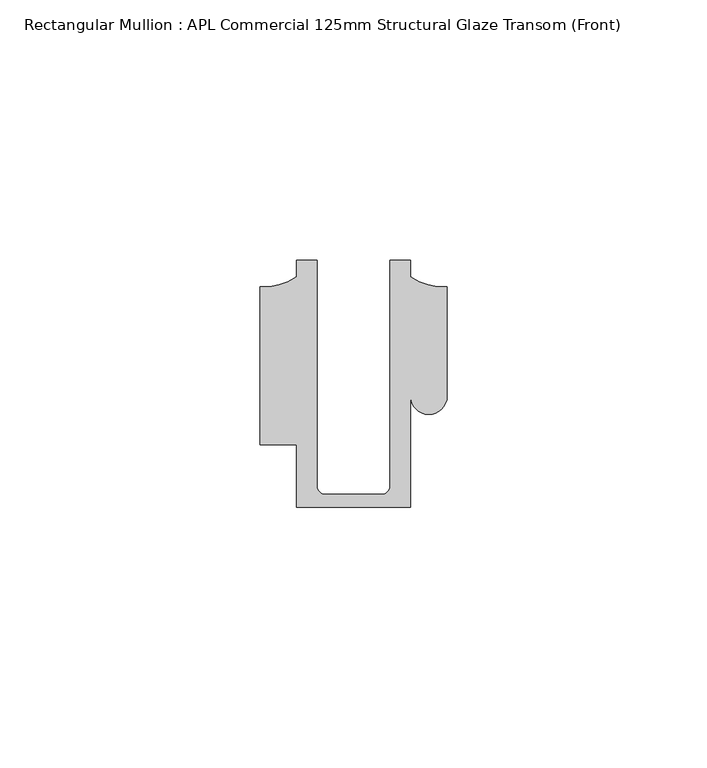
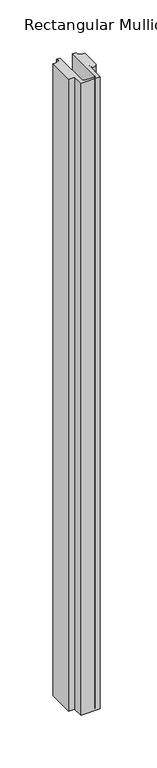
"""IFC4 building model written with IfcOpenShell, lengths in millimetres: member geometry, Rectangular Mullion : APL Commercial 125mm Structural Glaze Transom (Front)."""

from ifc_helpers import new_model, si_unit, frame, origin, place, context, project, spatial, polyline, circle_curve, source, transform, mapped, element, save
from ifc_brep_helpers import plane_surface, cylinder_surface, revolved_surface, advanced_brep


def rectangular_mullion_apl_commercial_125mm_structural_glaze_301c8de9(model_context):
    return source(origin(), model_context, "Body", "AdvancedBrep", [
        advanced_brep(
        [(-11.0000151, -27.0, 0.0), (11.001071, -27.0, 0.0), (11.001071, -5.5848769, 0.0), (17.9999091, -5.6750512, 0.0), (17.9999542, 15.3797475, 0.0), (11.0000151, 17.3125212, 0.0), (11.0000151, 20.5, 0.0), (6.9999849, 20.5, 0.0), (6.9999849, -22.9973451, 0.0), (5.4999872, -24.5, 0.0), (-5.4999873, -24.5, 0.0), (-6.9999853, -22.9976091, 0.0), (-6.9999853, 20.5, 0.0), (-10.9999994, 20.5, 0.0), (-10.9999994, 17.3125325, 0.0), (-17.9999542, 15.3797475, 0.0), (-17.9999542, -15.0006281, 0.0), (-11.0000151, -15.0006281, 0.0), (-11.0000151, -27.0, -759.4851421), (-11.0000151, -15.0006281, -759.4851421), (-17.9999542, -15.0006281, -759.4851421), (-17.9999542, 15.3797475, -759.4851421), (-10.9999994, 17.3125325, -759.4851421), (-10.9999994, 20.5, -759.4851421), (-6.9999853, 20.5, -759.4851421), (-6.9999853, -22.9976091, -759.4851421), (-5.4999873, -24.5, -759.4851421), (5.4999872, -24.5, -759.4851421), (6.9999849, -22.9973451, -759.4851421), (6.9999849, 20.5, -759.4851421), (11.0000151, 20.5, -759.4851421), (11.0000151, 17.3125212, -759.4851421), (17.9999542, 15.3797475, -759.4851421), (17.9999542, -5.684606, -759.4851421), (11.001071, -5.5848769, -759.4851421), (11.001071, -27.0, -759.4851421)],
        [
            (0, 1),
            (1, 2),
            (2, 3, circle_curve(frame((14.4999091, -5.6750512, 0.0), z_axis=(0.0, 0.0, 1.0), x_axis=(-0.9999826028573957, 0.005898642432633649, 0.0)), 3.5)),
            (3, 4),
            (4, 5, circle_curve(frame((17.109817, 25.7981812, 0.0), z_axis=(0.0, 0.0, -1.0), x_axis=(0.0, -1.0, 0.0)), 10.4563907)),
            (5, 6),
            (6, 7),
            (7, 8),
            (8, 9, circle_curve(frame((5.4999872, -23.0, 0.0), z_axis=(0.0, 0.0, -1.0), x_axis=(0.9999999999999986, 5.463622857820516e-08, 0.0)), 1.5)),
            (9, 10),
            (10, 11, circle_curve(frame((-5.4999873, -23.0, 0.0), z_axis=(0.0, 0.0, -1.0), x_axis=(2.7320010112268853e-08, -0.9999999999999997, 0.0)), 1.5)),
            (11, 12),
            (12, 13),
            (13, 14),
            (14, 15, circle_curve(frame((-17.109817, 25.7981812, 0.0), z_axis=(0.0, 0.0, -1.0), x_axis=(0.0, -1.0, 0.0)), 10.4563907)),
            (15, 16),
            (16, 17),
            (17, 0),
            (18, 19),
            (19, 20),
            (20, 21),
            (21, 22, circle_curve(frame((-17.109817, 25.7981812, -759.4851421), z_axis=(0.0, 0.0, 1.0), x_axis=(0.0, -1.0, 0.0)), 10.4563907)),
            (22, 23),
            (23, 24),
            (24, 25),
            (25, 26, circle_curve(frame((-5.4999873, -23.0, -759.4851421), z_axis=(0.0, 0.0, 1.0), x_axis=(2.7320010112268853e-08, -0.9999999999999997, 0.0)), 1.5)),
            (26, 27),
            (27, 28, circle_curve(frame((5.4999872, -23.0, -759.4851421), z_axis=(0.0, 0.0, 1.0), x_axis=(0.9999999999999986, 5.463622857820516e-08, 0.0)), 1.5)),
            (28, 29),
            (29, 30),
            (30, 31),
            (31, 32, circle_curve(frame((17.109817, 25.7981812, -759.4851421), z_axis=(0.0, 0.0, 1.0), x_axis=(0.0, -1.0, 0.0)), 10.4563907)),
            (32, 33),
            (33, 34, circle_curve(frame((14.4999091, -5.6750512, -759.4851421), z_axis=(0.0, 0.0, -1.0), x_axis=(-0.9999826028573957, 0.005898642432633649, 0.0)), 3.5)),
            (34, 35),
            (35, 18),
            (0, 18),
            (35, 1),
            (34, 2),
            (33, 3),
            (32, 4),
            (31, 5),
            (30, 6),
            (29, 7),
            (28, 8),
            (27, 9),
            (26, 10),
            (25, 11),
            (24, 12),
            (23, 13),
            (22, 14),
            (21, 15),
            (20, 16),
            (19, 17),
        ],
        [
            plane_surface(frame((0.0, -29.1551636, 0.0), z_axis=(0.0, 0.0, 1.0), x_axis=(-1.0, 0.0, 0.0))),
            plane_surface(frame((0.0, -29.1551636, -759.4851421), z_axis=(0.0, 0.0, -1.0), x_axis=(-1.0, 0.0, 0.0))),
            plane_surface(frame((-11.0000151, -27.0, 0.0), z_axis=(0.0, -1.0, 0.0), x_axis=(0.0, 0.0, -1.0))),
            plane_surface(frame((11.001071, -27.0, 0.0), z_axis=(1.0, 0.0, 0.0), x_axis=(0.0, 0.0, -1.0))),
            cylinder_surface(frame((14.4999091, -5.6750512, 0.0), z_axis=(0.0, 0.0, 1.0), x_axis=(-0.9999826028573957, 0.005898642432633649, 0.0)), 3.5),
            plane_surface(frame((17.9999542, -5.684606, 0.0), z_axis=(1.0, 0.0, 0.0), x_axis=(0.0, 0.0, -1.0))),
            revolved_surface(polyline([(17.109817, 15.341790499999998, -759.4851421), (17.109817, 15.341790499999998, 0.0)]), (17.109817, 25.7981812, 0.0), (0.0, 0.0, -1.0)),
            plane_surface(frame((11.0000151, 17.3125212, 0.0), z_axis=(1.0, 0.0, 0.0), x_axis=(0.0, 0.0, -1.0))),
            plane_surface(frame((11.0000151, 20.5, 0.0), z_axis=(0.0, 1.0, 0.0), x_axis=(0.0, 0.0, -1.0))),
            plane_surface(frame((6.9999849, 20.5, 0.0), z_axis=(-1.0, 0.0, 0.0), x_axis=(0.0, 0.0, -1.0))),
            revolved_surface(polyline([(6.999987199999998, -22.999999918045656, -759.4851421), (6.999987199999998, -22.999999918045656, 0.0)]), (5.4999872, -23.0, 0.0), (0.0, 0.0, -1.0)),
            plane_surface(frame((5.4999872, -24.5, 0.0), z_axis=(0.0, 1.0, 0.0), x_axis=(0.0, 0.0, -1.0))),
            revolved_surface(polyline([(-5.499987259019985, -24.5, -759.4851421), (-5.499987259019985, -24.5, 0.0)]), (-5.4999873, -23.0, 0.0), (0.0, 0.0, -1.0)),
            plane_surface(frame((-6.9999853, -22.9976091, 0.0), z_axis=(1.0, 0.0, 0.0), x_axis=(0.0, 0.0, -1.0))),
            plane_surface(frame((-6.9999853, 20.5, 0.0), z_axis=(0.0, 1.0, 0.0), x_axis=(0.0, 0.0, -1.0))),
            plane_surface(frame((-10.9999994, 20.5, 0.0), z_axis=(-1.0, 0.0, 0.0), x_axis=(0.0, 0.0, -1.0))),
            revolved_surface(polyline([(-17.109817, 15.341790499999998, -759.4851421), (-17.109817, 15.341790499999998, 0.0)]), (-17.109817, 25.7981812, 0.0), (0.0, 0.0, -1.0)),
            plane_surface(frame((-17.9999542, 15.3797475, 0.0), z_axis=(-1.0, 0.0, 0.0), x_axis=(0.0, 0.0, -1.0))),
            plane_surface(frame((-17.9999542, -15.0006281, 0.0), z_axis=(0.0, -1.0, 0.0), x_axis=(0.0, 0.0, -1.0))),
            plane_surface(frame((-11.0000151, -15.0006281, 0.0), z_axis=(-1.0, 0.0, 0.0), x_axis=(0.0, 0.0, -1.0))),
        ],
        [
            (0, [[1, 2, 3, 4, 5, 6, 7, 8, 9, 10, 11, 12, 13, 14, 15, 16, 17, 18]]),
            (1, [[19, 20, 21, 22, 23, 24, 25, 26, 27, 28, 29, 30, 31, 32, 33, 34, 35, 36]]),
            (2, [[-1, 37, -36, 38]]),
            (3, [[-2, -38, -35, 39]]),
            (4, [[-3, -39, -34, 40]]),
            (5, [[-4, -40, -33, 41]]),
            (6, [[-5, -41, -32, 42]]),
            (7, [[-6, -42, -31, 43]]),
            (8, [[-7, -43, -30, 44]]),
            (9, [[-8, -44, -29, 45]]),
            (10, [[-9, -45, -28, 46]]),
            (11, [[-10, -46, -27, 47]]),
            (12, [[-11, -47, -26, 48]]),
            (13, [[-12, -48, -25, 49]]),
            (14, [[-13, -49, -24, 50]]),
            (15, [[-14, -50, -23, 51]]),
            (16, [[-15, -51, -22, 52]]),
            (17, [[-16, -52, -21, 53]]),
            (18, [[-17, -53, -20, 54]]),
            (19, [[-18, -54, -19, -37]]),
        ],
    ),
    ])


if __name__ == "__main__":
    model = new_model("IFC4")
    model_context = context("Model", 3, world=origin())
    ifc_project = project(units=[si_unit("LENGTHUNIT", "METRE", prefix="MILLI")], contexts=[model_context])
    site = spatial("IfcSite", under=ifc_project)
    building = spatial("IfcBuilding", under=site)
    placement = place(None, origin())
    rectangular_mullion_apl_commercial_125mm_structural_glaze_shape = rectangular_mullion_apl_commercial_125mm_structural_glaze_301c8de9(model_context)
    element("IfcMember", 1, ObjectType="Rectangular Mullion : APL Commercial 125mm Structural Glaze Transom (Front)", at=placement, inside=building, context=model_context, shape_type="MappedRepresentation", body=[
        mapped(rectangular_mullion_apl_commercial_125mm_structural_glaze_shape, transform((0.0, 0.0, 0.0), x_axis=(1.0, 0.0, 0.0), y_axis=(0.0, 1.0, 0.0), z_axis=(0.0, 0.0, 1.0))),
    ])
    save(model, "model.ifc")
